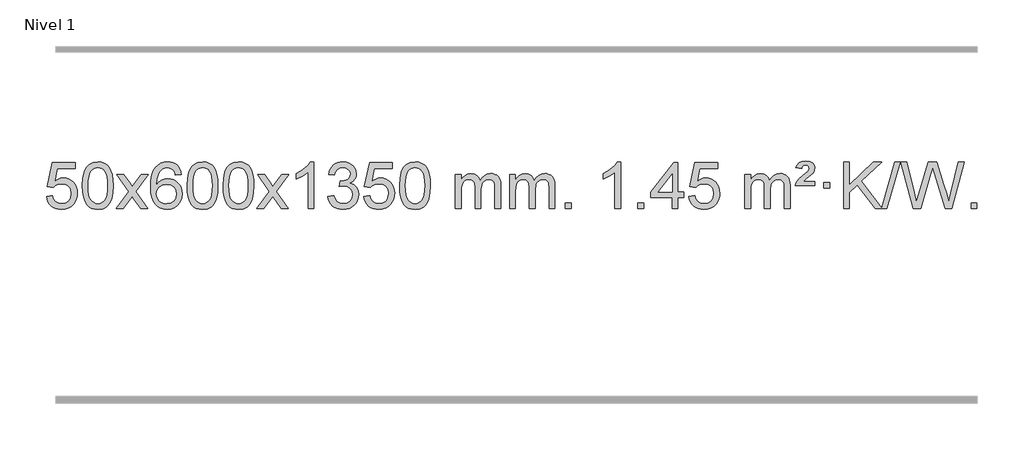
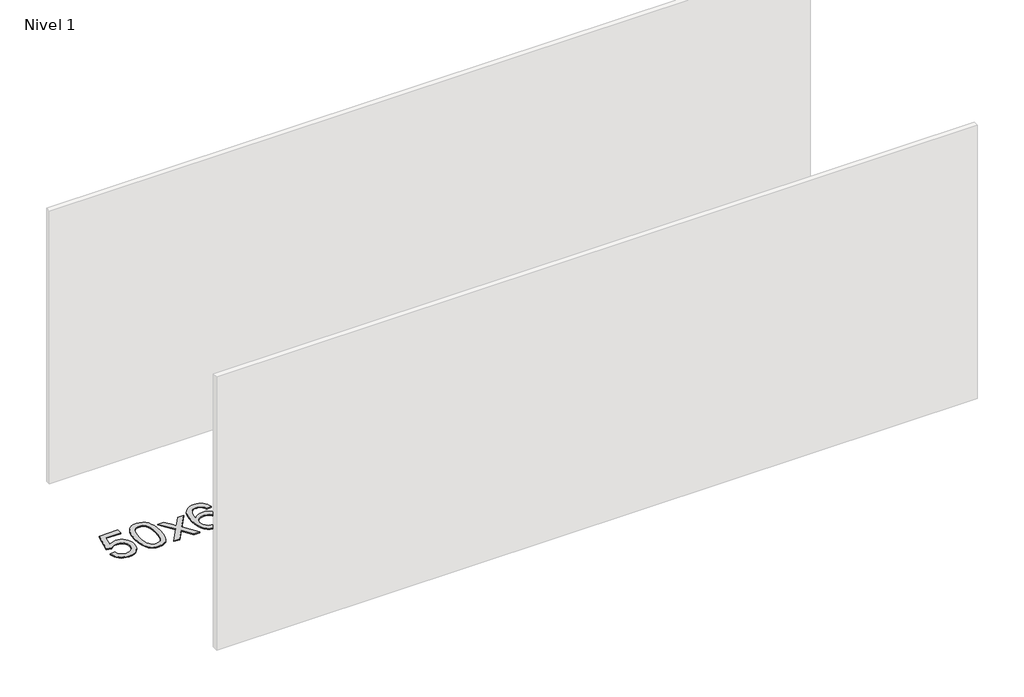
# One storey, part 15 of 16: 1 proxy.
"""IFC4 building model written with IfcOpenShell, lengths in millimetres."""

import ifcopenshell
import ifcopenshell.guid

model = None  # the IFC model being written
_history = None  # IfcOwnerHistory: only IFC2X3 demands one
_inside = {}  # id of a spatial element -> (the spatial element, [elements in it])
_under = {}  # id of a project, library or spatial element -> (it, [spatial elements below it])
_declared = {}  # id of a project -> (the project, [libraries it declares])
_typed = {}  # id of a type object -> (the type object, [elements of that type])
_made_of = {}  # id of a material, layer set ... -> (it, [elements and type objects made of it])


def new_model(schema):
    """Start an empty IFC model of exactly this schema.

    Asked for "IFC4X3", IfcOpenShell would pick the latest addendum, in which some entities
    have other attributes; the version numbers below select the first issue.
    IFC2X3 requires an IfcOwnerHistory on every rooted entity: one is made here for all.
    """
    global model, _history
    if schema == "IFC4X3":
        model = ifcopenshell.file(schema_version=(4, 3, 0, 0))
    else:
        model = ifcopenshell.file(schema=schema)
    _inside.clear()
    _under.clear()
    _declared.clear()
    _typed.clear()
    _made_of.clear()
    _history = None
    if model.schema == "IFC2X3":
        org = make("IfcOrganization", Name="unknown")
        user = make(
            "IfcPersonAndOrganization",
            ThePerson=make("IfcPerson", FamilyName="unknown"),
            TheOrganization=org,
        )
        app = make(
            "IfcApplication",
            ApplicationDeveloper=org,
            Version="unknown",
            ApplicationFullName="unknown",
            ApplicationIdentifier="unknown",
        )
        _history = make(
            "IfcOwnerHistory",
            OwningUser=user,
            OwningApplication=app,
            ChangeAction="ADDED",
            CreationDate=0,
        )
    return model


def make(cls, **values):
    """One entity of the class cls with the attributes given. An attribute that is None is left unset."""
    return model.create_entity(
        cls, **{name: value for name, value in values.items() if value is not None}
    )


def rooted(cls, **values):
    """An entity with a GlobalId (a new one), such as an element, a storey or a relation."""
    return make(cls, GlobalId=ifcopenshell.guid.new(), OwnerHistory=_history, **values)


def si_unit(unit_type, name, prefix=None):
    """IfcSIUnit, for example si_unit("LENGTHUNIT", "METRE", prefix="MILLI")."""
    return make("IfcSIUnit", UnitType=unit_type, Prefix=prefix, Name=name)


def assignment(units):
    """IfcUnitAssignment: the units of a project."""
    return None if units is None else make("IfcUnitAssignment", Units=units)


def point(xyz):
    """IfcCartesianPoint."""
    return None if xyz is None else make("IfcCartesianPoint", Coordinates=xyz)


def direction(xyz):
    """IfcDirection."""
    return None if xyz is None else make("IfcDirection", DirectionRatios=xyz)


def frame(location, z_axis=None, x_axis=None):
    """IfcAxis2Placement3D, a coordinate frame: its origin and axes. An axis left out is left unset."""
    return make(
        "IfcAxis2Placement3D",
        Location=point(location),
        Axis=direction(z_axis),
        RefDirection=direction(x_axis),
    )


def origin():
    """The frame at (0, 0, 0) with its axes left unset."""
    return frame((0.0, 0.0, 0.0))


def origin_with_axes():
    """The frame at (0, 0, 0) with the z axis (0, 0, 1) and the x axis (1, 0, 0) written out."""
    return frame((0.0, 0.0, 0.0), z_axis=(0.0, 0.0, 1.0), x_axis=(1.0, 0.0, 0.0))


def place(relative_to, where):
    """IfcLocalPlacement: puts the frame where relative to a parent placement (None: the world)."""
    return make(
        "IfcLocalPlacement", PlacementRelTo=relative_to, RelativePlacement=where
    )


def context(
    kind, dimensions, precision=None, world=None, true_north=None, identifier=None
):
    """IfcGeometricRepresentationContext, for example the 3D "Model" context."""
    return make(
        "IfcGeometricRepresentationContext",
        ContextIdentifier=identifier,
        ContextType=kind,
        CoordinateSpaceDimension=dimensions,
        Precision=precision,
        WorldCoordinateSystem=world,
        TrueNorth=true_north,
    )


def project(units=None, contexts=None):
    """IfcProject with its units and contexts."""
    return rooted(
        "IfcProject",
        Name="project",
        RepresentationContexts=contexts,
        UnitsInContext=assignment(units),
    )


def spatial(cls, under=None, at=None, **own):
    """A site, building, storey or space (cls), placed at a placement, below another one or the project."""
    s = rooted(cls, ObjectPlacement=at, **own)
    if under is not None:
        _under.setdefault(under.id(), (under, []))[1].append(s)
    return s


def polyline(points):
    """IfcPolyline through the points."""
    return make("IfcPolyline", Points=[point(p) for p in points])


def outline(outer, holes=None, kind="AREA"):
    """IfcArbitraryClosedProfileDef: a profile drawn as a closed curve; with holes, ...WithVoids."""
    if holes is None:
        return make("IfcArbitraryClosedProfileDef", ProfileType=kind, OuterCurve=outer)
    return make(
        "IfcArbitraryProfileDefWithVoids",
        ProfileType=kind,
        OuterCurve=outer,
        InnerCurves=holes,
    )


def extrude(swept, where, along, depth):
    """IfcExtrudedAreaSolid: the profile swept, set in the frame where, extruded along a direction by depth."""
    return make(
        "IfcExtrudedAreaSolid",
        SweptArea=swept,
        Position=where,
        ExtrudedDirection=direction(along),
        Depth=depth,
    )


def shape(context_of_items, identifier, shape_type, items):
    """IfcShapeRepresentation: the items that make up one representation, for example the "Body"."""
    return make(
        "IfcShapeRepresentation",
        ContextOfItems=context_of_items,
        RepresentationIdentifier=identifier,
        RepresentationType=shape_type,
        Items=items,
    )


def made_of(thing, what):
    """Note that an element or type object is made of a material, layer set ...; save() writes the relation."""
    if what is not None:
        _made_of.setdefault(what.id(), (what, []))[1].append(thing)
    return thing


def element(
    cls,
    number,
    at=None,
    inside=None,
    cuts=None,
    type_object=None,
    material=None,
    context=None,
    identifier="Body",
    shape_type=None,
    held_by="IfcProductDefinitionShape",
    body=None,
    shapes=None,
    **own,
):
    """One element of the class cls, such as IfcWall. Its Tag is "e" and its number.

    at: its placement. inside: the storey or other place that contains it. cuts: it is an
    opening in that element (IfcRelVoidsElement). A single representation is given by context,
    identifier, shape_type and body (its items); several are given by shapes. held_by: the class
    of the entity that holds the representations. save() writes the other relations.
    """
    e = rooted(cls, Tag="e%d" % number, ObjectPlacement=at, **own)
    if body is not None:
        shapes = [shape(context, identifier, shape_type, body)]
    if shapes is not None:
        e.Representation = make(held_by, Representations=shapes)
    if inside is not None:
        _inside.setdefault(inside.id(), (inside, []))[1].append(e)
    if cuts is not None:
        rooted(
            "IfcRelVoidsElement", RelatingBuildingElement=cuts, RelatedOpeningElement=e
        )
    if type_object is not None:
        _typed.setdefault(type_object.id(), (type_object, []))[1].append(e)
    return made_of(e, material)


def aggregate(whole, parts):
    """IfcRelAggregates: a whole, such as a stair, and the parts it consists of."""
    return rooted("IfcRelAggregates", RelatingObject=whole, RelatedObjects=parts)


def save(model, path):
    """Write the relations noted so far, then the file.

    IfcRelAggregates (storeys below a building ...), IfcRelContainedInSpatialStructure (elements
    in a storey), IfcRelDefinesByType, IfcRelAssociatesMaterial and IfcRelDeclares: one each for
    every whole, place, type object, material and project.
    """
    for whole, parts in _under.values():
        aggregate(whole, parts)
    for where, things in _inside.values():
        rooted(
            "IfcRelContainedInSpatialStructure",
            RelatedElements=things,
            RelatingStructure=where,
        )
    for kind, things in _typed.values():
        rooted("IfcRelDefinesByType", RelatedObjects=things, RelatingType=kind)
    for what, things in _made_of.values():
        rooted("IfcRelAssociatesMaterial", RelatedObjects=things, RelatingMaterial=what)
    for by, libraries in _declared.values():
        rooted("IfcRelDeclares", RelatingContext=by, RelatedDefinitions=libraries)
    model.write(path)


model = new_model("IFC4")

# Units and contexts
model_context = context("Model", 3, world=origin())
ifc_project = project(units=[si_unit("LENGTHUNIT", "METRE", prefix="MILLI")], contexts=[model_context])

# Site, building, storey
site = spatial("IfcSite", under=ifc_project)
building = spatial("IfcBuilding", under=site)
storey = spatial("IfcBuildingStorey", under=building, Name="Nivel 1", Elevation=0.0)

# Proxy
placement = place(None, origin())
element("IfcBuildingElementProxy", 1, Name="Texto de modelo 1", ObjectType="Texto de modelo 1", at=placement, inside=storey, context=model_context, shape_type="SweptSolid", body=[
    extrude(outline(polyline([(-13109.9934354, 2715.1553765), (-13059.7652803, 2721.4338959), (-13050.543705, 2691.2798351), (-13034.454999, 2669.6851619), (-13011.5727389, 2656.6989275), (-12981.9705011, 2652.3701827), (-12962.8406373, 2653.8754332), (-12945.9671165, 2658.3911847), (-12931.3499385, 2665.9174372), (-12918.9891035, 2676.4541906), (-12909.1605228, 2689.480279), (-12902.1401081, 2704.4745359), (-12896.5237763, 2740.3675559), (-12901.7844888, 2774.1636486), (-12908.3603795, 2788.0818507), (-12917.5666264, 2800.0134901), (-12929.4338865, 2809.5845533), (-12943.9928164, 2816.4210271), (-12981.1856861, 2821.8902061), (-13005.5517369, 2819.7074396), (-13025.2824746, 2813.1591401), (-13041.0400868, 2803.1282243), (-13053.4867609, 2790.4976092), (-13103.714916, 2796.7761285), (-13059.7652803, 3003.9672682), (-12865.1311794, 3003.9672682), (-12865.1311794, 2953.7391131), (-13019.151108, 2953.7391131), (-13040.6354166, 2843.080209), (-13022.9096358, 2855.7844006), (-13004.7546593, 2864.8588231), (-12986.1704872, 2870.3034766), (-12967.1571194, 2872.1183612), (-12942.6960324, 2869.8681496), (-12920.2276395, 2863.117515), (-12899.7519408, 2851.8664573), (-12881.2689362, 2836.1149766), (-12865.9681109, 2816.8256973), (-12855.03895, 2794.961244), (-12848.4814534, 2770.5216168), (-12846.2956212, 2743.5068156), (-12848.2637899, 2717.4852958), (-12854.1682959, 2693.2786606), (-12864.0091393, 2670.8869098), (-12877.78632, 2650.3100435), (-12898.6574919, 2629.2365366), (-12923.01128, 2614.1840316), (-12950.8476843, 2605.1525286), (-12982.1667048, 2602.1420276), (-13008.087057, 2604.0764738), (-13031.4996803, 2609.8798123), (-13052.4045747, 2619.552043), (-13070.8017402, 2633.0931662), (-13086.1086968, 2649.8287312), (-13097.7429649, 2669.084288), (-13105.7045445, 2690.8598364), (-13109.9934354, 2715.1553765)])), origin_with_axes(), (0.0, 0.0, 1.0), 10.0),
    extrude(outline(polyline([(-12802.3459855, 2806.0958057), (-12798.6549029, 2870.4138412), (-12787.5816548, 2921.7088541), (-12769.236606, 2960.7656593), (-12757.378543, 2975.9990395), (-12743.730121, 2988.3690716), (-12728.2453547, 2997.9401349), (-12710.8782588, 3004.7766086), (-12670.4970785, 3010.2457876), (-12639.5459399, 3007.008426), (-12611.832163, 2997.2963414), (-12588.6555973, 2981.4896783), (-12571.3160926, 2959.9685816), (-12558.2194935, 2932.9169922), (-12547.7716449, 2900.5188512), (-12540.9290398, 2859.3773814), (-12538.6481714, 2806.0958057), (-12542.3024659, 2742.1456523), (-12553.2653493, 2690.9732667), (-12571.5000336, 2651.8796734), (-12583.3305054, 2636.6003078), (-12596.9697304, 2624.1658964), (-12612.4728908, 2614.5304538), (-12629.8951689, 2607.6479948), (-12670.4970785, 2602.1420276), (-12698.1618045, 2604.5332606), (-12722.6872709, 2611.7069595), (-12744.0734775, 2623.6631243), (-12762.3204245, 2640.4017551), (-12779.8316074, 2670.6600492), (-12792.3395953, 2708.3618224), (-12799.844388, 2753.5070745), (-12802.3459855, 2806.0958057)]), holes=[polyline([(-12752.1178305, 2806.1939076), (-12750.6463025, 2762.5293805), (-12746.2317185, 2727.1851178), (-12738.8740786, 2700.1611196), (-12728.5733828, 2681.4573858), (-12716.1144459, 2668.7317344), (-12702.2820829, 2659.6419835), (-12687.0762937, 2654.1881329), (-12670.4970785, 2652.3701827), (-12653.9178632, 2654.1942643), (-12638.7120741, 2659.6665089), (-12624.8797111, 2668.7869167), (-12612.4207742, 2681.5554876), (-12602.1200783, 2700.2898783), (-12594.7624384, 2727.3077451), (-12590.3478545, 2762.6090882), (-12588.8763265, 2806.1939076), (-12590.2988035, 2848.7026722), (-12594.5662347, 2883.4246011), (-12601.6786199, 2910.3596945), (-12611.6359592, 2929.5079524), (-12623.8864297, 2942.8559375), (-12637.8782082, 2952.3902125), (-12653.6112949, 2958.1107775), (-12671.0856897, 2960.0176325), (-12687.5790658, 2958.3376381), (-12702.5273375, 2953.2976548), (-12715.9305049, 2944.8976825), (-12727.7885679, 2933.1377214), (-12738.4326203, 2912.291075), (-12746.0355148, 2884.1848906), (-12750.5972516, 2848.8191681), (-12752.1178305, 2806.1939076)])]), origin_with_axes(), (0.0, 0.0, 1.0), 10.0),
    extrude(outline(polyline([(-12513.5340939, 2608.420547), (-12406.2106531, 2756.7505675), (-12507.2555745, 2903.5109581), (-12446.8248254, 2903.5109581), (-12398.0681983, 2832.877615), (-12375.3085655, 2799.5229808), (-12355.5900906, 2826.7952993), (-12300.0644348, 2903.5109581), (-12239.6336857, 2903.5109581), (-12345.7799041, 2756.7505675), (-12243.5577603, 2608.420547), (-12303.9885094, 2608.420547), (-12365.498379, 2697.5951426), (-12376.7800935, 2713.8800523), (-12453.1033448, 2608.420547), (-12513.5340939, 2608.420547)])), origin_with_axes(), (0.0, 0.0, 1.0), 10.0),
    extrude(outline(polyline([(-11954.7458687, 2903.5109581), (-12004.9740237, 2897.2324387), (-12013.0674276, 2922.125787), (-12024.0057856, 2939.1219352), (-12046.7899439, 2954.7937082), (-12074.3320426, 2960.0176325), (-12097.6802865, 2956.9764747), (-12119.6551044, 2947.8530012), (-12138.5274507, 2928.6372983), (-12153.9417063, 2902.1865829), (-12164.3527668, 2864.772984), (-12168.2155277, 2812.6686307), (-12148.0678571, 2836.1762902), (-12123.9225355, 2852.7432427), (-12097.1284635, 2862.565692), (-12069.0345418, 2865.8398418), (-12044.9014829, 2863.601893), (-12022.6323595, 2856.8880466), (-12002.2271715, 2845.6983025), (-11983.6859189, 2830.0326609), (-11968.2777947, 2810.8230894), (-11957.2719917, 2789.0015557), (-11950.6685099, 2764.5680599), (-11948.4673493, 2737.5226018), (-11952.6121531, 2701.5560055), (-11965.0465645, 2668.213634), (-11984.740514, 2639.9357713), (-12010.6639319, 2619.1627013), (-12041.6395959, 2606.397196), (-12076.4902836, 2602.1420276), (-12106.4328123, 2604.9624563), (-12133.4752046, 2613.4237421), (-12157.6174606, 2627.5258853), (-12178.8595801, 2647.2688857), (-12196.177625, 2673.4866092), (-12208.5476571, 2707.0129217), (-12215.9696764, 2747.8478232), (-12218.4436828, 2795.9913136), (-12215.6968306, 2849.9657337), (-12207.4562739, 2896.0306908), (-12193.7220127, 2934.1861851), (-12174.4940471, 2964.4322165), (-12153.6535321, 2984.4756538), (-12129.4898164, 2998.7923948), (-12102.0029, 3007.3824394), (-12071.1927829, 3010.2457876), (-12048.0591367, 3008.4738227), (-12027.1205198, 3003.1579278), (-12008.3769322, 2994.2981031), (-11991.8283738, 2981.8943485), (-11977.9224344, 2966.3635969), (-11967.1067037, 2948.1227814), (-11959.3811818, 2927.1719017), (-11954.7458687, 2903.5109581)]), holes=[polyline([(-12168.2155277, 2738.3074168), (-12165.30926, 2716.0505561), (-12156.5904567, 2694.7992395), (-12143.0523993, 2676.527767), (-12125.6883691, 2663.2104388), (-12104.7313581, 2655.0802467), (-12080.4143582, 2652.3701827), (-12047.2681904, 2657.9865145), (-12033.353054, 2665.0069292), (-12021.2098825, 2674.8355099), (-12011.359842, 2687.0737176), (-12004.3240989, 2701.3230135), (-11998.6955043, 2735.8548701), (-12004.2505225, 2769.0010379), (-12011.1942951, 2782.6218688), (-12020.9155769, 2794.274531), (-12033.0955366, 2803.6095366), (-12047.4153432, 2810.2773978), (-12082.4744974, 2815.6116867), (-12115.5716142, 2810.2773978), (-12143.248603, 2794.274531), (-12154.1716326, 2782.7751529), (-12161.9737965, 2769.6141746), (-12166.6550949, 2754.7915958), (-12168.2155277, 2738.3074168)])]), origin_with_axes(), (0.0, 0.0, 1.0), 10.0),
    extrude(outline(polyline([(-11904.5177136, 2806.0958057), (-11900.8266309, 2870.4138412), (-11889.7533828, 2921.7088541), (-11871.408334, 2960.7656593), (-11859.550271, 2975.9990395), (-11845.901849, 2988.3690716), (-11830.4170827, 2997.9401349), (-11813.0499869, 3004.7766086), (-11772.6688065, 3010.2457876), (-11741.717668, 3007.008426), (-11714.003891, 2997.2963414), (-11690.8273253, 2981.4896783), (-11673.4878206, 2959.9685816), (-11660.3912216, 2932.9169922), (-11649.9433729, 2900.5188512), (-11643.1007678, 2859.3773814), (-11640.8198994, 2806.0958057), (-11644.4741939, 2742.1456523), (-11655.4370774, 2690.9732667), (-11673.6717616, 2651.8796734), (-11685.5022334, 2636.6003078), (-11699.1414584, 2624.1658964), (-11714.6446188, 2614.5304538), (-11732.066897, 2607.6479948), (-11772.6688065, 2602.1420276), (-11800.3335326, 2604.5332606), (-11824.8589989, 2611.7069595), (-11846.2452055, 2623.6631243), (-11864.4921525, 2640.4017551), (-11882.0033355, 2670.6600492), (-11894.5113233, 2708.3618224), (-11902.016116, 2753.5070745), (-11904.5177136, 2806.0958057)]), holes=[polyline([(-11854.2895585, 2806.1939076), (-11852.8180305, 2762.5293805), (-11848.4034466, 2727.1851178), (-11841.0458067, 2700.1611196), (-11830.7451108, 2681.4573858), (-11818.2861739, 2668.7317344), (-11804.4538109, 2659.6419835), (-11789.2480218, 2654.1881329), (-11772.6688065, 2652.3701827), (-11756.0895913, 2654.1942643), (-11740.8838021, 2659.6665089), (-11727.0514391, 2668.7869167), (-11714.5925022, 2681.5554876), (-11704.2918063, 2700.2898783), (-11696.9341664, 2727.3077451), (-11692.5195825, 2762.6090882), (-11691.0480545, 2806.1939076), (-11692.4705316, 2848.7026722), (-11696.7379627, 2883.4246011), (-11703.8503479, 2910.3596945), (-11713.8076873, 2929.5079524), (-11726.0581577, 2942.8559375), (-11740.0499363, 2952.3902125), (-11755.7830229, 2958.1107775), (-11773.2574177, 2960.0176325), (-11789.7507938, 2958.3376381), (-11804.6990656, 2953.2976548), (-11818.1022329, 2944.8976825), (-11829.9602959, 2933.1377214), (-11840.6043483, 2912.291075), (-11848.2072429, 2884.1848906), (-11852.7689796, 2848.8191681), (-11854.2895585, 2806.1939076)])]), origin_with_axes(), (0.0, 0.0, 1.0), 10.0),
    extrude(outline(polyline([(-11596.8702638, 2806.0958057), (-11593.1791811, 2870.4138412), (-11582.105933, 2921.7088541), (-11563.7608842, 2960.7656593), (-11551.9028212, 2975.9990395), (-11538.2543992, 2988.3690716), (-11522.7696329, 2997.9401349), (-11505.402537, 3004.7766086), (-11465.0213567, 3010.2457876), (-11434.0702182, 3007.008426), (-11406.3564412, 2997.2963414), (-11383.1798755, 2981.4896783), (-11365.8403708, 2959.9685816), (-11352.7437718, 2932.9169922), (-11342.2959231, 2900.5188512), (-11335.453318, 2859.3773814), (-11333.1724496, 2806.0958057), (-11336.8267441, 2742.1456523), (-11347.7896275, 2690.9732667), (-11366.0243118, 2651.8796734), (-11377.8547836, 2636.6003078), (-11391.4940086, 2624.1658964), (-11406.997169, 2614.5304538), (-11424.4194471, 2607.6479948), (-11465.0213567, 2602.1420276), (-11492.6860827, 2604.5332606), (-11517.2115491, 2611.7069595), (-11538.5977557, 2623.6631243), (-11556.8447027, 2640.4017551), (-11574.3558856, 2670.6600492), (-11586.8638735, 2708.3618224), (-11594.3686662, 2753.5070745), (-11596.8702638, 2806.0958057)]), holes=[polyline([(-11546.6421087, 2806.1939076), (-11545.1705807, 2762.5293805), (-11540.7559968, 2727.1851178), (-11533.3983568, 2700.1611196), (-11523.097661, 2681.4573858), (-11510.6387241, 2668.7317344), (-11496.8063611, 2659.6419835), (-11481.6005719, 2654.1881329), (-11465.0213567, 2652.3701827), (-11448.4421414, 2654.1942643), (-11433.2363523, 2659.6665089), (-11419.4039893, 2668.7869167), (-11406.9450524, 2681.5554876), (-11396.6443565, 2700.2898783), (-11389.2867166, 2727.3077451), (-11384.8721327, 2762.6090882), (-11383.4006047, 2806.1939076), (-11384.8230817, 2848.7026722), (-11389.0905129, 2883.4246011), (-11396.2028981, 2910.3596945), (-11406.1602375, 2929.5079524), (-11418.4107079, 2942.8559375), (-11432.4024864, 2952.3902125), (-11448.1355731, 2958.1107775), (-11465.6099679, 2960.0176325), (-11482.103344, 2958.3376381), (-11497.0516157, 2953.2976548), (-11510.4547831, 2944.8976825), (-11522.3128461, 2933.1377214), (-11532.9568985, 2912.291075), (-11540.559793, 2884.1848906), (-11545.1215298, 2848.8191681), (-11546.6421087, 2806.1939076)])]), origin_with_axes(), (0.0, 0.0, 1.0), 10.0),
    extrude(outline(polyline([(-11308.0583721, 2608.420547), (-11200.7349313, 2756.7505675), (-11301.7798527, 2903.5109581), (-11241.3491036, 2903.5109581), (-11192.5924765, 2832.877615), (-11169.8328437, 2799.5229808), (-11150.1143688, 2826.7952993), (-11094.588713, 2903.5109581), (-11034.1579639, 2903.5109581), (-11140.3041823, 2756.7505675), (-11038.0820385, 2608.420547), (-11098.5127876, 2608.420547), (-11160.0226572, 2697.5951426), (-11171.3043717, 2713.8800523), (-11247.627623, 2608.420547), (-11308.0583721, 2608.420547)])), origin_with_axes(), (0.0, 0.0, 1.0), 10.0),
    extrude(outline(polyline([(-10818.3338601, 2608.420547), (-10868.5620152, 2608.420547), (-10868.5620152, 2921.5617013), (-10889.5312889, 2904.6023413), (-10916.1414199, 2887.6675068), (-10969.0183253, 2862.3081746), (-10969.0183253, 2909.7894775), (-10929.5691127, 2931.2492605), (-10895.3928753, 2956.780271), (-10868.4516506, 2983.9299622), (-10850.7074757, 3010.2457876), (-10818.3338601, 3010.2457876), (-10818.3338601, 2608.420547)])), origin_with_axes(), (0.0, 0.0, 1.0), 10.0),
    extrude(outline(polyline([(-10699.0419918, 2715.1553765), (-10648.8138367, 2721.4338959), (-10637.5689104, 2689.8696207), (-10621.1000597, 2668.5569905), (-10598.5979444, 2656.4168846), (-10569.2532239, 2652.3701827), (-10534.8194691, 2657.9374636), (-10520.5456477, 2664.8965646), (-10508.2338636, 2674.6393061), (-10491.2377154, 2699.5571799), (-10485.5723327, 2729.7725545), (-10491.1886645, 2758.4550874), (-10508.0376599, 2781.7174922), (-10533.5441449, 2797.1317478), (-10565.1329455, 2802.269833), (-10600.3515152, 2796.7761285), (-10594.7597089, 2847.0042836), (-10586.7153559, 2846.4156724), (-10556.6226087, 2850.020916), (-10529.7181721, 2860.8366466), (-10518.6449241, 2869.0158897), (-10510.7354612, 2879.1326445), (-10505.9897835, 2891.1869112), (-10504.4078909, 2905.1786898), (-10508.9941531, 2926.8714648), (-10522.7529397, 2944.4684869), (-10543.7467389, 2956.1303461), (-10570.0380388, 2960.0176325), (-10596.3783897, 2956.0935579), (-10617.9117491, 2944.3213341), (-10633.632573, 2924.700961), (-10642.5353173, 2897.2324387), (-10692.7634724, 2903.5109581), (-10686.8099154, 2927.4907328), (-10677.9746162, 2948.6132907), (-10666.2575747, 2966.8786317), (-10651.6587908, 2982.286756), (-10634.6381172, 2994.5188323), (-10615.6554062, 3003.2560297), (-10594.710658, 3008.4983481), (-10571.8038724, 3010.2457876), (-10540.2273345, 3006.7999596), (-10511.2259705, 2996.4624755), (-10486.7740806, 2980.1530404), (-10468.8459647, 2958.7913592), (-10457.846293, 2934.1800537), (-10454.1797358, 2908.1217457), (-10457.662352, 2883.8415341), (-10468.1102007, 2861.8176653), (-10485.376129, 2843.0556835), (-10509.3129841, 2828.5611329), (-10477.8713363, 2815.8569414), (-10454.5721433, 2794.22548), (-10440.151169, 2764.8439714), (-10435.3441776, 2728.8896377), (-10437.7476733, 2703.4076782), (-10444.9581605, 2679.9368069), (-10456.975639, 2658.4770238), (-10473.8001089, 2639.028329), (-10494.2972674, 2622.8905722), (-10517.3328116, 2611.363603), (-10542.9067417, 2604.4474215), (-10571.0190575, 2602.1420276), (-10596.4274406, 2604.1101963), (-10619.5794808, 2610.0147023), (-10640.4751782, 2619.8555457), (-10659.1145326, 2633.6327264), (-10674.743386, 2650.5369041), (-10686.6075804, 2669.7587383), (-10694.7071156, 2691.2982292), (-10699.0419918, 2715.1553765)])), origin_with_axes(), (0.0, 0.0, 1.0), 10.0),
    extrude(outline(polyline([(-10391.394542, 2715.1553765), (-10341.1663869, 2721.4338959), (-10331.9448115, 2691.2798351), (-10315.8561056, 2669.6851619), (-10292.9738455, 2656.6989275), (-10263.3716076, 2652.3701827), (-10244.2417439, 2653.8754332), (-10227.368223, 2658.3911847), (-10212.7510451, 2665.9174372), (-10200.3902101, 2676.4541906), (-10190.5616294, 2689.480279), (-10183.5412147, 2704.4745359), (-10177.9248829, 2740.3675559), (-10183.1855954, 2774.1636486), (-10189.7614861, 2788.0818507), (-10198.967733, 2800.0134901), (-10210.834993, 2809.5845533), (-10225.393923, 2816.4210271), (-10262.5867927, 2821.8902061), (-10286.9528435, 2819.7074396), (-10306.6835812, 2813.1591401), (-10322.4411933, 2803.1282243), (-10334.8878675, 2790.4976092), (-10385.1160226, 2796.7761285), (-10341.1663869, 3003.9672682), (-10146.532286, 3003.9672682), (-10146.532286, 2953.7391131), (-10300.5522146, 2953.7391131), (-10322.0365231, 2843.080209), (-10304.3107423, 2855.7844006), (-10286.1557659, 2864.8588231), (-10267.5715937, 2870.3034766), (-10248.558226, 2872.1183612), (-10224.097139, 2869.8681496), (-10201.6287461, 2863.117515), (-10181.1530474, 2851.8664573), (-10162.6700428, 2836.1149766), (-10147.3692175, 2816.8256973), (-10136.4400566, 2794.961244), (-10129.88256, 2770.5216168), (-10127.6967278, 2743.5068156), (-10129.6648965, 2717.4852958), (-10135.5694025, 2693.2786606), (-10145.4102459, 2670.8869098), (-10159.1874266, 2650.3100435), (-10180.0585985, 2629.2365366), (-10204.4123865, 2614.1840316), (-10232.2487908, 2605.1525286), (-10263.5678114, 2602.1420276), (-10289.4881636, 2604.0764738), (-10312.9007869, 2609.8798123), (-10333.8056813, 2619.552043), (-10352.2028467, 2633.0931662), (-10367.5098034, 2649.8287312), (-10379.1440715, 2669.084288), (-10387.105651, 2690.8598364), (-10391.394542, 2715.1553765)])), origin_with_axes(), (0.0, 0.0, 1.0), 10.0),
    extrude(outline(polyline([(-10083.7470921, 2806.0958057), (-10080.0560094, 2870.4138412), (-10068.9827614, 2921.7088541), (-10050.6377126, 2960.7656593), (-10038.7796496, 2975.9990395), (-10025.1312276, 2988.3690716), (-10009.6464612, 2997.9401349), (-9992.2793654, 3004.7766086), (-9951.8981851, 3010.2457876), (-9920.9470465, 3007.008426), (-9893.2332696, 2997.2963414), (-9870.0567039, 2981.4896783), (-9852.7171992, 2959.9685816), (-9839.6206001, 2932.9169922), (-9829.1727515, 2900.5188512), (-9822.3301463, 2859.3773814), (-9820.049278, 2806.0958057), (-9823.7035725, 2742.1456523), (-9834.6664559, 2690.9732667), (-9852.9011401, 2651.8796734), (-9864.731612, 2636.6003078), (-9878.3708369, 2624.1658964), (-9893.8739974, 2614.5304538), (-9911.2962755, 2607.6479948), (-9951.8981851, 2602.1420276), (-9979.5629111, 2604.5332606), (-10004.0883774, 2611.7069595), (-10025.4745841, 2623.6631243), (-10043.721531, 2640.4017551), (-10061.232714, 2670.6600492), (-10073.7407019, 2708.3618224), (-10081.2454946, 2753.5070745), (-10083.7470921, 2806.0958057)]), holes=[polyline([(-10033.518937, 2806.1939076), (-10032.0474091, 2762.5293805), (-10027.6328251, 2727.1851178), (-10020.2751852, 2700.1611196), (-10009.9744894, 2681.4573858), (-9997.5155525, 2668.7317344), (-9983.6831894, 2659.6419835), (-9968.4774003, 2654.1881329), (-9951.8981851, 2652.3701827), (-9935.3189698, 2654.1942643), (-9920.1131807, 2659.6665089), (-9906.2808176, 2668.7869167), (-9893.8218807, 2681.5554876), (-9883.5211849, 2700.2898783), (-9876.163545, 2727.3077451), (-9871.748961, 2762.6090882), (-9870.2774331, 2806.1939076), (-9871.6999101, 2848.7026722), (-9875.9673412, 2883.4246011), (-9883.0797265, 2910.3596945), (-9893.0370658, 2929.5079524), (-9905.2875363, 2942.8559375), (-9919.2793148, 2952.3902125), (-9935.0124015, 2958.1107775), (-9952.4867962, 2960.0176325), (-9968.9801724, 2958.3376381), (-9983.9284441, 2953.2976548), (-9997.3316115, 2944.8976825), (-10009.1896744, 2933.1377214), (-10019.8337268, 2912.291075), (-10027.4366214, 2884.1848906), (-10031.9983581, 2848.8191681), (-10033.518937, 2806.1939076)])]), origin_with_axes(), (0.0, 0.0, 1.0), 10.0),
    extrude(outline(polyline([(-9606.5796189, 2608.420547), (-9606.5796189, 2903.5109581), (-9556.3514638, 2903.5109581), (-9556.3514638, 2854.9505347), (-9541.2437766, 2877.2564463), (-9521.8196072, 2894.7308411), (-9498.7411434, 2906.0248184), (-9472.6705727, 2909.7894775), (-9444.7360665, 2905.951242), (-9422.3443157, 2894.4365355), (-9405.6179477, 2876.0056476), (-9394.6795897, 2851.4188676), (-9376.3713291, 2876.9560094), (-9355.4878945, 2895.196825), (-9332.0292859, 2906.1413143), (-9305.9955034, 2909.7894775), (-9285.8876867, 2908.2719642), (-9268.2385479, 2903.7194245), (-9253.0480872, 2896.1318584), (-9240.3163045, 2885.5092658), (-9230.2516663, 2871.7290194), (-9223.0626389, 2854.6684918), (-9218.7492225, 2834.3276832), (-9217.3114171, 2810.7065934), (-9217.3114171, 2608.420547), (-9267.5395722, 2608.420547), (-9267.5395722, 2789.124183), (-9268.7045318, 2814.1769469), (-9272.1994108, 2831.0627305), (-9278.7477103, 2842.6264879), (-9289.0729316, 2851.7131732), (-9302.3534716, 2857.5992851), (-9317.7677272, 2859.5613224), (-9344.9787321, 2854.5336018), (-9367.1620165, 2839.45044), (-9375.7673895, 2827.8805512), (-9381.9140845, 2813.2817674), (-9386.8314405, 2774.9975144), (-9386.8314405, 2608.420547), (-9437.0595955, 2608.420547), (-9437.0595955, 2794.7159894), (-9439.9658633, 2823.1164794), (-9448.6846666, 2843.3745146), (-9464.0253458, 2855.5146204), (-9486.7972413, 2859.5613224), (-9506.1478342, 2856.8635211), (-9523.9778483, 2848.7701172), (-9538.6931281, 2835.4773144), (-9548.6995183, 2817.1813165), (-9554.4384775, 2791.7974589), (-9556.3514638, 2757.2410768), (-9556.3514638, 2608.420547), (-9606.5796189, 2608.420547)])), origin_with_axes(), (0.0, 0.0, 1.0), 10.0),
    extrude(outline(polyline([(-9141.9691845, 2608.420547), (-9141.9691845, 2903.5109581), (-9091.7410294, 2903.5109581), (-9091.7410294, 2854.9505347), (-9076.6333421, 2877.2564463), (-9057.2091728, 2894.7308411), (-9034.130709, 2906.0248184), (-9008.0601382, 2909.7894775), (-8980.1256321, 2905.951242), (-8957.7338813, 2894.4365355), (-8941.0075132, 2876.0056476), (-8930.0691552, 2851.4188676), (-8911.7608946, 2876.9560094), (-8890.87746, 2895.196825), (-8867.4188515, 2906.1413143), (-8841.3850689, 2909.7894775), (-8821.2772522, 2908.2719642), (-8803.6281135, 2903.7194245), (-8788.4376528, 2896.1318584), (-8775.7058701, 2885.5092658), (-8765.6412318, 2871.7290194), (-8758.4522045, 2854.6684918), (-8754.1387881, 2834.3276832), (-8752.7009826, 2810.7065934), (-8752.7009826, 2608.420547), (-8802.9291377, 2608.420547), (-8802.9291377, 2789.124183), (-8804.0940974, 2814.1769469), (-8807.5889763, 2831.0627305), (-8814.1372758, 2842.6264879), (-8824.4624972, 2851.7131732), (-8837.7430372, 2857.5992851), (-8853.1572928, 2859.5613224), (-8880.3682977, 2854.5336018), (-8902.551582, 2839.45044), (-8911.156955, 2827.8805512), (-8917.30365, 2813.2817674), (-8922.221006, 2774.9975144), (-8922.221006, 2608.420547), (-8972.4491611, 2608.420547), (-8972.4491611, 2794.7159894), (-8975.3554289, 2823.1164794), (-8984.0742321, 2843.3745146), (-8999.4149113, 2855.5146204), (-9022.1868068, 2859.5613224), (-9041.5373998, 2856.8635211), (-9059.3674138, 2848.7701172), (-9074.0826936, 2835.4773144), (-9084.0890839, 2817.1813165), (-9089.828043, 2791.7974589), (-9091.7410294, 2757.2410768), (-9091.7410294, 2608.420547), (-9141.9691845, 2608.420547)])), origin_with_axes(), (0.0, 0.0, 1.0), 10.0),
    extrude(outline(polyline([(-8664.8017113, 2608.420547), (-8664.8017113, 2658.6487021), (-8614.5735562, 2658.6487021), (-8614.5735562, 2608.420547), (-8664.8017113, 2608.420547)])), origin_with_axes(), (0.0, 0.0, 1.0), 10.0),
    extrude(outline(polyline([(-8187.634238, 2608.420547), (-8237.8623931, 2608.420547), (-8237.8623931, 2921.5617013), (-8258.8316668, 2904.6023413), (-8285.4417978, 2887.6675068), (-8338.3187033, 2862.3081746), (-8338.3187033, 2909.7894775), (-8298.8694907, 2931.2492605), (-8264.6932533, 2956.780271), (-8237.7520285, 2983.9299622), (-8220.0078536, 3010.2457876), (-8187.634238, 3010.2457876), (-8187.634238, 2608.420547)])), origin_with_axes(), (0.0, 0.0, 1.0), 10.0),
    extrude(outline(polyline([(-8043.2282922, 2608.420547), (-8043.2282922, 2658.6487021), (-7993.0001371, 2658.6487021), (-7993.0001371, 2608.420547), (-8043.2282922, 2608.420547)])), origin_with_axes(), (0.0, 0.0, 1.0), 10.0),
    extrude(outline(polyline([(-7748.1378811, 2608.420547), (-7748.1378811, 2702.5983378), (-7930.2149433, 2702.5983378), (-7930.2149433, 2752.8264928), (-7735.5808424, 3003.9672682), (-7697.9097261, 3003.9672682), (-7697.9097261, 2752.8264928), (-7647.681571, 2752.8264928), (-7647.681571, 2702.5983378), (-7697.9097261, 2702.5983378), (-7697.9097261, 2608.420547), (-7748.1378811, 2608.420547)]), holes=[polyline([(-7748.1378811, 2752.8264928), (-7748.1378811, 2908.0236439), (-7868.4107681, 2752.8264928), (-7748.1378811, 2752.8264928)])]), origin_with_axes(), (0.0, 0.0, 1.0), 10.0),
    extrude(outline(polyline([(-7603.7319353, 2715.1553765), (-7553.5037802, 2721.4338959), (-7544.2822049, 2691.2798351), (-7528.193499, 2669.6851619), (-7505.3112389, 2656.6989275), (-7475.709001, 2652.3701827), (-7456.5791372, 2653.8754332), (-7439.7056164, 2658.3911847), (-7425.0884384, 2665.9174372), (-7412.7276034, 2676.4541906), (-7402.8990228, 2689.480279), (-7395.878608, 2704.4745359), (-7390.2622762, 2740.3675559), (-7395.5229888, 2774.1636486), (-7402.0988794, 2788.0818507), (-7411.3051264, 2800.0134901), (-7423.1723864, 2809.5845533), (-7437.7313163, 2816.4210271), (-7474.9241861, 2821.8902061), (-7499.2902369, 2819.7074396), (-7519.0209745, 2813.1591401), (-7534.7785867, 2803.1282243), (-7547.2252608, 2790.4976092), (-7597.4534159, 2796.7761285), (-7553.5037802, 3003.9672682), (-7358.8696793, 3003.9672682), (-7358.8696793, 2953.7391131), (-7512.889608, 2953.7391131), (-7534.3739165, 2843.080209), (-7516.6481357, 2855.7844006), (-7498.4931592, 2864.8588231), (-7479.9089871, 2870.3034766), (-7460.8956193, 2872.1183612), (-7436.4345323, 2869.8681496), (-7413.9661395, 2863.117515), (-7393.4904407, 2851.8664573), (-7375.0074362, 2836.1149766), (-7359.7066109, 2816.8256973), (-7348.7774499, 2794.961244), (-7342.2199533, 2770.5216168), (-7340.0341212, 2743.5068156), (-7342.0022898, 2717.4852958), (-7347.9067959, 2693.2786606), (-7357.7476392, 2670.8869098), (-7371.5248199, 2650.3100435), (-7392.3959918, 2629.2365366), (-7416.7497799, 2614.1840316), (-7444.5861842, 2605.1525286), (-7475.9052047, 2602.1420276), (-7501.825557, 2604.0764738), (-7525.2381803, 2609.8798123), (-7546.1430746, 2619.552043), (-7564.5402401, 2633.0931662), (-7579.8471968, 2649.8287312), (-7591.4814649, 2669.084288), (-7599.4430444, 2690.8598364), (-7603.7319353, 2715.1553765)])), origin_with_axes(), (0.0, 0.0, 1.0), 10.0),
    extrude(outline(polyline([(-7126.5644621, 2608.420547), (-7126.5644621, 2903.5109581), (-7076.336307, 2903.5109581), (-7076.336307, 2854.9505347), (-7061.2286197, 2877.2564463), (-7041.8044504, 2894.7308411), (-7018.7259866, 2906.0248184), (-6992.6554158, 2909.7894775), (-6964.7209097, 2905.951242), (-6942.3291589, 2894.4365355), (-6925.6027909, 2876.0056476), (-6914.6644329, 2851.4188676), (-6896.3561722, 2876.9560094), (-6875.4727377, 2895.196825), (-6852.0141291, 2906.1413143), (-6825.9803466, 2909.7894775), (-6805.8725298, 2908.2719642), (-6788.2233911, 2903.7194245), (-6773.0329304, 2896.1318584), (-6760.3011477, 2885.5092658), (-6750.2365094, 2871.7290194), (-6743.0474821, 2854.6684918), (-6738.7340657, 2834.3276832), (-6737.2962603, 2810.7065934), (-6737.2962603, 2608.420547), (-6787.5244153, 2608.420547), (-6787.5244153, 2789.124183), (-6788.689375, 2814.1769469), (-6792.1842539, 2831.0627305), (-6798.7325535, 2842.6264879), (-6809.0577748, 2851.7131732), (-6822.3383148, 2857.5992851), (-6837.7525704, 2859.5613224), (-6864.9635753, 2854.5336018), (-6887.1468596, 2839.45044), (-6895.7522326, 2827.8805512), (-6901.8989276, 2813.2817674), (-6906.8162836, 2774.9975144), (-6906.8162836, 2608.420547), (-6957.0444387, 2608.420547), (-6957.0444387, 2794.7159894), (-6959.9507065, 2823.1164794), (-6968.6695098, 2843.3745146), (-6984.010189, 2855.5146204), (-7006.7820845, 2859.5613224), (-7026.1326774, 2856.8635211), (-7043.9626914, 2848.7701172), (-7058.6779713, 2835.4773144), (-7068.6843615, 2817.1813165), (-7074.4233206, 2791.7974589), (-7076.336307, 2757.2410768), (-7076.336307, 2608.420547), (-7126.5644621, 2608.420547)])), origin_with_axes(), (0.0, 0.0, 1.0), 10.0),
    extrude(outline(polyline([(-6693.3466246, 2809.3331673), (-6689.5206518, 2825.1520931), (-6681.1819933, 2841.0200698), (-6659.6731593, 2866.1586728), (-6627.7164766, 2893.8969753), (-6583.5706372, 2931.273786), (-6576.4337265, 2942.8007552), (-6574.0547563, 2954.6220299), (-6575.9432172, 2966.7130848), (-6581.6085999, 2976.4987459), (-6590.977328, 2982.973469), (-6603.9758252, 2985.1317101), (-6616.4102366, 2983.5130293), (-6625.26393, 2978.656987), (-6631.6896022, 2969.1901569), (-6636.8399501, 2953.7391131), (-6687.0681052, 2960.0176325), (-6676.2278491, 2985.2298119), (-6659.5995829, 3002.7900458), (-6635.834406, 3013.0907417), (-6603.5834178, 3016.524307), (-6567.8007624, 3012.3917659), (-6543.0545668, 2999.9941427), (-6528.6335926, 2981.6613566), (-6523.8266012, 2959.7233269), (-6527.9223541, 2936.8165414), (-6540.2096127, 2915.1850801), (-6560.737428, 2895.3685032), (-6597.2067965, 2867.3113697), (-6622.8113834, 2840.7257642), (-6523.8266012, 2840.7257642), (-6523.8266012, 2809.3331673), (-6693.3466246, 2809.3331673)])), origin_with_axes(), (0.0, 0.0, 1.0), 10.0),
    extrude(outline(polyline([(-6448.4843686, 2784.2190898), (-6448.4843686, 2834.4472448), (-6398.2562135, 2834.4472448), (-6398.2562135, 2784.2190898), (-6448.4843686, 2784.2190898)])), origin_with_axes(), (0.0, 0.0, 1.0), 10.0),
    extrude(outline(polyline([(-6007.6145856, 2608.420547), (-6161.045903, 2811.0990009), (-6228.7361901, 2746.5479735), (-6228.7361901, 2608.420547), (-6278.9643452, 2608.420547), (-6278.9643452, 3010.2457876), (-6228.7361901, 3010.2457876), (-6228.7361901, 2813.5515475), (-6022.7222728, 3010.2457876), (-5952.4813372, 3010.2457876), (-6125.4349259, 2845.0422463), (-5950.781316, 2614.4650668), (-5839.4679883, 3010.2457876), (-5794.1449265, 3010.2457876), (-5907.1582754, 2608.420547), (-5946.2028178, 2608.420547), (-5952.4813372, 2608.420547), (-6007.6145856, 2608.420547)])), origin_with_axes(), (0.0, 0.0, 1.0), 10.0),
    extrude(outline(polyline([(-5679.6600496, 2608.420547), (-5789.2398332, 3010.2457876), (-5737.4420483, 3010.2457876), (-5673.8720395, 2746.155566), (-5654.2516665, 2664.6329159), (-5633.2578673, 2736.7377869), (-5553.5991526, 3010.2457876), (-5478.943633, 3010.2457876), (-5421.0635325, 2811.9819177), (-5396.268286, 2738.4055186), (-5377.9968136, 2664.6329159), (-5358.9650517, 2743.8011212), (-5294.8064317, 3010.2457876), (-5243.0086468, 3010.2457876), (-5352.6865323, 2608.420547), (-5406.3482526, 2608.420547), (-5502.6842845, 2918.4224416), (-5516.12424, 2961.6853642), (-5531.2319273, 2909.5932737), (-5619.0330968, 2608.420547), (-5679.6600496, 2608.420547)])), origin_with_axes(), (0.0, 0.0, 1.0), 10.0),
    extrude(outline(polyline([(-5186.5019723, 2608.420547), (-5186.5019723, 2658.6487021), (-5136.2738173, 2658.6487021), (-5136.2738173, 2608.420547), (-5186.5019723, 2608.420547)])), origin_with_axes(), (0.0, 0.0, 1.0), 10.0),
])

save(model, "model.ifc")
